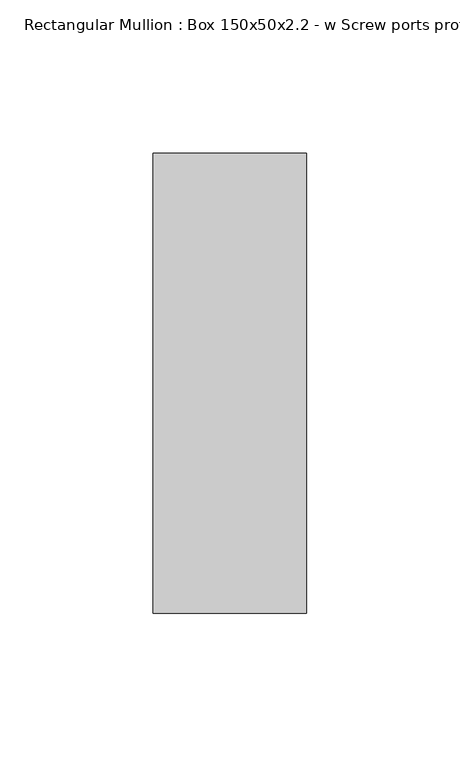
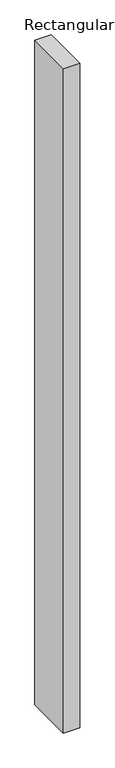
"""IFC4 building model written with IfcOpenShell, lengths in millimetres: member geometry, Rectangular Mullion : Box 150x50x2.2 - w Screw ports profile."""

from ifc_helpers import new_model, si_unit, frame, origin, place, context, project, spatial, polyline, outline, extrude, source, transform, mapped, element, save


def rectangular_mullion_box_150x50x2_2_w_screw_ports_profile_73b3fc28(model_context):
    return source(origin(), model_context, "Body", "SweptSolid", [
        extrude(outline(polyline([(25.0, 75.0), (25.0, -75.0), (-25.0, -75.0), (-25.0, 75.0), (25.0, 75.0)])), frame((0.0, 0.0, -2133.3474575), z_axis=(0.0, 0.0, 1.0), x_axis=(1.0, 0.0, 0.0)), (0.0, 0.0, 1.0), 2133.3474575),
    ])


if __name__ == "__main__":
    model = new_model("IFC4")
    model_context = context("Model", 3, world=origin())
    ifc_project = project(units=[si_unit("LENGTHUNIT", "METRE", prefix="MILLI")], contexts=[model_context])
    site = spatial("IfcSite", under=ifc_project)
    building = spatial("IfcBuilding", under=site)
    placement = place(None, origin())
    rectangular_mullion_box_150x50x2_2_w_screw_ports_profile_shape = rectangular_mullion_box_150x50x2_2_w_screw_ports_profile_73b3fc28(model_context)
    element("IfcMember", 1, ObjectType="Rectangular Mullion : Box 150x50x2.2 - w Screw ports profile", at=placement, inside=building, context=model_context, shape_type="MappedRepresentation", body=[
        mapped(rectangular_mullion_box_150x50x2_2_w_screw_ports_profile_shape, transform((0.0, 0.0, 0.0), x_axis=(1.0, 0.0, 0.0), y_axis=(0.0, 1.0, 0.0), z_axis=(0.0, 0.0, 1.0))),
    ])
    save(model, "model.ifc")
